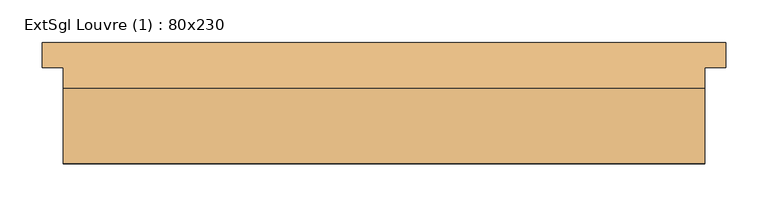
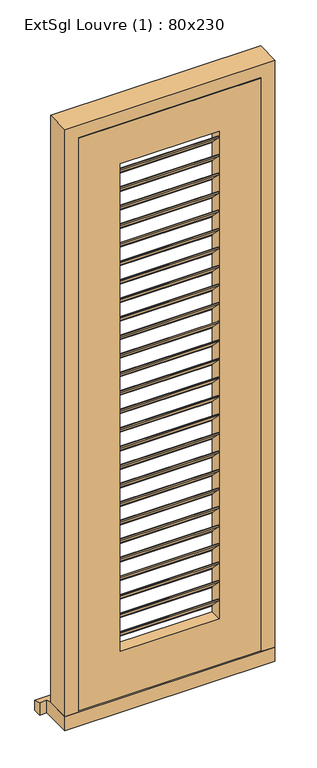
"""IFC4 building model written with IfcOpenShell, lengths in millimetres: door geometry, ExtSgl Louvre (1) : 80x230."""

from ifc_helpers import new_model, si_unit, point, frame, frame_2d, origin, place, context, project, spatial, polyline, circle_curve, trimmed, segment, composite_curve, outline, extrude, faceted_brep, source, transform, mapped, element, save


def extsgl_louvre_1_80x230_39fe5b61(model_context):
    return source(origin(), model_context, "Body", "SolidModel", [
        extrude(outline(composite_curve([segment(trimmed(circle_curve(frame_2d((1200.0, -253.5)), 19.0), [point((1200.0, -234.5))], [point((1200.0, -272.5))], False, "CARTESIAN"), True, "CONTINUOUS"), segment(trimmed(circle_curve(frame_2d((1200.0, -253.5)), 19.0), [point((1200.0, -272.5))], [point((1200.0, -234.5))], False, "CARTESIAN"), True, "CONTINUOUS")], self_intersect=False), holes=[composite_curve([segment(polyline([(1197.6985978, -252.5235023), (1188.3126735, -252.5235023), (1188.3126735, -254.4936963), (1197.7059713, -254.4936963)]), True, "CONTINUOUS"), segment(trimmed(circle_curve(frame_2d((1200.0, -253.5)), 2.5), [point((1197.7059713, -254.4936963))], [point((1197.6985978, -252.5235023))], True, "CARTESIAN"), True, "CONTINUOUS")], self_intersect=False)]), frame((0.0, 140.0, 0.0), z_axis=(0.0, 1.0, 0.0), x_axis=(0.0, 0.0, 1.0)), (0.0, 0.0, 1.0), 3.0),
        extrude(outline(polyline([(100.0, 2003.62), (140.0, 1963.62), (140.0, 1959.62), (137.0, 1959.62), (137.0, 1962.3773593), (97.0, 2002.3773593), (97.0, 2007.62), (100.0, 2007.62), (100.0, 2003.62)])), frame((-178.5, 0.0, 0.0), z_axis=(1.0, 0.0, 0.0), x_axis=(0.0, 1.0, 0.0)), (0.0, 0.0, 1.0), 357.0),
        extrude(outline(polyline([(100.0, 1932.74), (140.0, 1892.74), (140.0, 1888.74), (137.0, 1888.74), (137.0, 1891.4973593), (97.0, 1931.4973593), (97.0, 1936.74), (100.0, 1936.74), (100.0, 1932.74)])), frame((-178.5, 0.0, 0.0), z_axis=(1.0, 0.0, 0.0), x_axis=(0.0, 1.0, 0.0)), (0.0, 0.0, 1.0), 357.0),
        extrude(outline(polyline([(100.0, 1861.86), (140.0, 1821.86), (140.0, 1817.86), (137.0, 1817.86), (137.0, 1820.6173593), (97.0, 1860.6173593), (97.0, 1865.86), (100.0, 1865.86), (100.0, 1861.86)])), frame((-178.5, 0.0, 0.0), z_axis=(1.0, 0.0, 0.0), x_axis=(0.0, 1.0, 0.0)), (0.0, 0.0, 1.0), 357.0),
        extrude(outline(polyline([(100.0, 1790.98), (140.0, 1750.98), (140.0, 1746.98), (137.0, 1746.98), (137.0, 1749.7373593), (97.0, 1789.7373593), (97.0, 1794.98), (100.0, 1794.98), (100.0, 1790.98)])), frame((-178.5, 0.0, 0.0), z_axis=(1.0, 0.0, 0.0), x_axis=(0.0, 1.0, 0.0)), (0.0, 0.0, 1.0), 357.0),
        extrude(outline(polyline([(100.0, 1720.1), (140.0, 1680.1), (140.0, 1676.1), (137.0, 1676.1), (137.0, 1678.8573593), (97.0, 1718.8573593), (97.0, 1724.1), (100.0, 1724.1), (100.0, 1720.1)])), frame((-178.5, 0.0, 0.0), z_axis=(1.0, 0.0, 0.0), x_axis=(0.0, 1.0, 0.0)), (0.0, 0.0, 1.0), 357.0),
        extrude(outline(polyline([(100.0, 1649.22), (140.0, 1609.22), (140.0, 1605.22), (137.0, 1605.22), (137.0, 1607.9773593), (97.0, 1647.9773593), (97.0, 1653.22), (100.0, 1653.22), (100.0, 1649.22)])), frame((-178.5, 0.0, 0.0), z_axis=(1.0, 0.0, 0.0), x_axis=(0.0, 1.0, 0.0)), (0.0, 0.0, 1.0), 357.0),
        extrude(outline(polyline([(100.0, 1578.34), (140.0, 1538.34), (140.0, 1534.34), (137.0, 1534.34), (137.0, 1537.0973593), (97.0, 1577.0973593), (97.0, 1582.34), (100.0, 1582.34), (100.0, 1578.34)])), frame((-178.5, 0.0, 0.0), z_axis=(1.0, 0.0, 0.0), x_axis=(0.0, 1.0, 0.0)), (0.0, 0.0, 1.0), 357.0),
        extrude(outline(polyline([(100.0, 1507.46), (140.0, 1467.46), (140.0, 1463.46), (137.0, 1463.46), (137.0, 1466.2173593), (97.0, 1506.2173593), (97.0, 1511.46), (100.0, 1511.46), (100.0, 1507.46)])), frame((-178.5, 0.0, 0.0), z_axis=(1.0, 0.0, 0.0), x_axis=(0.0, 1.0, 0.0)), (0.0, 0.0, 1.0), 357.0),
        extrude(outline(polyline([(100.0, 1436.58), (140.0, 1396.58), (140.0, 1392.58), (137.0, 1392.58), (137.0, 1395.3373593), (97.0, 1435.3373593), (97.0, 1440.58), (100.0, 1440.58), (100.0, 1436.58)])), frame((-178.5, 0.0, 0.0), z_axis=(1.0, 0.0, 0.0), x_axis=(0.0, 1.0, 0.0)), (0.0, 0.0, 1.0), 357.0),
        extrude(outline(polyline([(100.0, 1365.7), (140.0, 1325.7), (140.0, 1321.7), (137.0, 1321.7), (137.0, 1324.4573593), (97.0, 1364.4573593), (97.0, 1369.7), (100.0, 1369.7), (100.0, 1365.7)])), frame((-178.5, 0.0, 0.0), z_axis=(1.0, 0.0, 0.0), x_axis=(0.0, 1.0, 0.0)), (0.0, 0.0, 1.0), 357.0),
        extrude(outline(polyline([(100.0, 1294.82), (140.0, 1254.82), (140.0, 1250.82), (137.0, 1250.82), (137.0, 1253.5773593), (97.0, 1293.5773593), (97.0, 1298.82), (100.0, 1298.82), (100.0, 1294.82)])), frame((-178.5, 0.0, 0.0), z_axis=(1.0, 0.0, 0.0), x_axis=(0.0, 1.0, 0.0)), (0.0, 0.0, 1.0), 357.0),
        extrude(outline(polyline([(100.0, 1223.94), (140.0, 1183.94), (140.0, 1179.94), (137.0, 1179.94), (137.0, 1182.6973593), (97.0, 1222.6973593), (97.0, 1227.94), (100.0, 1227.94), (100.0, 1223.94)])), frame((-178.5, 0.0, 0.0), z_axis=(1.0, 0.0, 0.0), x_axis=(0.0, 1.0, 0.0)), (0.0, 0.0, 1.0), 357.0),
        extrude(outline(polyline([(100.0, 1153.06), (140.0, 1113.06), (140.0, 1109.06), (137.0, 1109.06), (137.0, 1111.8173593), (97.0, 1151.8173593), (97.0, 1157.06), (100.0, 1157.06), (100.0, 1153.06)])), frame((-178.5, 0.0, 0.0), z_axis=(1.0, 0.0, 0.0), x_axis=(0.0, 1.0, 0.0)), (0.0, 0.0, 1.0), 357.0),
        extrude(outline(polyline([(100.0, 1082.18), (140.0, 1042.18), (140.0, 1038.18), (137.0, 1038.18), (137.0, 1040.9373593), (97.0, 1080.9373593), (97.0, 1086.18), (100.0, 1086.18), (100.0, 1082.18)])), frame((-178.5, 0.0, 0.0), z_axis=(1.0, 0.0, 0.0), x_axis=(0.0, 1.0, 0.0)), (0.0, 0.0, 1.0), 357.0),
        extrude(outline(polyline([(100.0, 1011.3), (140.0, 971.3), (140.0, 967.3), (137.0, 967.3), (137.0, 970.0573593), (97.0, 1010.0573593), (97.0, 1015.3), (100.0, 1015.3), (100.0, 1011.3)])), frame((-178.5, 0.0, 0.0), z_axis=(1.0, 0.0, 0.0), x_axis=(0.0, 1.0, 0.0)), (0.0, 0.0, 1.0), 357.0),
        extrude(outline(polyline([(100.0, 940.42), (140.0, 900.42), (140.0, 896.42), (137.0, 896.42), (137.0, 899.1773593), (97.0, 939.1773593), (97.0, 944.42), (100.0, 944.42), (100.0, 940.42)])), frame((-178.5, 0.0, 0.0), z_axis=(1.0, 0.0, 0.0), x_axis=(0.0, 1.0, 0.0)), (0.0, 0.0, 1.0), 357.0),
        extrude(outline(polyline([(100.0, 869.54), (140.0, 829.54), (140.0, 825.54), (137.0, 825.54), (137.0, 828.2973593), (97.0, 868.2973593), (97.0, 873.54), (100.0, 873.54), (100.0, 869.54)])), frame((-178.5, 0.0, 0.0), z_axis=(1.0, 0.0, 0.0), x_axis=(0.0, 1.0, 0.0)), (0.0, 0.0, 1.0), 357.0),
        extrude(outline(polyline([(100.0, 798.66), (140.0, 758.66), (140.0, 754.66), (137.0, 754.66), (137.0, 757.4173593), (97.0, 797.4173593), (97.0, 802.66), (100.0, 802.66), (100.0, 798.66)])), frame((-178.5, 0.0, 0.0), z_axis=(1.0, 0.0, 0.0), x_axis=(0.0, 1.0, 0.0)), (0.0, 0.0, 1.0), 357.0),
        extrude(outline(polyline([(100.0, 727.78), (140.0, 687.78), (140.0, 683.78), (137.0, 683.78), (137.0, 686.5373593), (97.0, 726.5373593), (97.0, 731.78), (100.0, 731.78), (100.0, 727.78)])), frame((-178.5, 0.0, 0.0), z_axis=(1.0, 0.0, 0.0), x_axis=(0.0, 1.0, 0.0)), (0.0, 0.0, 1.0), 357.0),
        extrude(outline(polyline([(100.0, 656.9), (140.0, 616.9), (140.0, 612.9), (137.0, 612.9), (137.0, 615.6573593), (97.0, 655.6573593), (97.0, 660.9), (100.0, 660.9), (100.0, 656.9)])), frame((-178.5, 0.0, 0.0), z_axis=(1.0, 0.0, 0.0), x_axis=(0.0, 1.0, 0.0)), (0.0, 0.0, 1.0), 357.0),
        extrude(outline(polyline([(100.0, 586.02), (140.0, 546.02), (140.0, 542.02), (137.0, 542.02), (137.0, 544.7773593), (97.0, 584.7773593), (97.0, 590.02), (100.0, 590.02), (100.0, 586.02)])), frame((-178.5, 0.0, 0.0), z_axis=(1.0, 0.0, 0.0), x_axis=(0.0, 1.0, 0.0)), (0.0, 0.0, 1.0), 357.0),
        extrude(outline(polyline([(100.0, 515.14), (140.0, 475.14), (140.0, 471.14), (137.0, 471.14), (137.0, 473.8973593), (97.0, 513.8973593), (97.0, 519.14), (100.0, 519.14), (100.0, 515.14)])), frame((-178.5, 0.0, 0.0), z_axis=(1.0, 0.0, 0.0), x_axis=(0.0, 1.0, 0.0)), (0.0, 0.0, 1.0), 357.0),
        extrude(outline(polyline([(100.0, 444.26), (140.0, 404.26), (140.0, 400.26), (137.0, 400.26), (137.0, 403.0173593), (97.0, 443.0173593), (97.0, 448.26), (100.0, 448.26), (100.0, 444.26)])), frame((-178.5, 0.0, 0.0), z_axis=(1.0, 0.0, 0.0), x_axis=(0.0, 1.0, 0.0)), (0.0, 0.0, 1.0), 357.0),
        extrude(outline(polyline([(100.0, 373.38), (140.0, 333.38), (140.0, 329.38), (137.0, 329.38), (137.0, 332.1373593), (97.0, 372.1373593), (97.0, 377.38), (100.0, 377.38), (100.0, 373.38)])), frame((-178.5, 0.0, 0.0), z_axis=(1.0, 0.0, 0.0), x_axis=(0.0, 1.0, 0.0)), (0.0, 0.0, 1.0), 357.0),
        extrude(outline(polyline([(100.0, 2074.5), (140.0, 2034.5), (140.0, 2030.5), (137.0, 2030.5), (137.0, 2033.2573593), (97.0, 2073.2573593), (97.0, 2078.5), (100.0, 2078.5), (100.0, 2074.5)])), frame((-178.5, 0.0, 0.0), z_axis=(1.0, 0.0, 0.0), x_axis=(0.0, 1.0, 0.0)), (0.0, 0.0, 1.0), 357.0),
        extrude(outline(polyline([(100.0, 302.5), (140.0, 262.5), (140.0, 258.5), (137.0, 258.5), (137.0, 261.2573593), (97.0, 301.2573593), (97.0, 306.5), (100.0, 306.5), (100.0, 302.5)])), frame((-178.5, 0.0, 0.0), z_axis=(1.0, 0.0, 0.0), x_axis=(0.0, 1.0, 0.0)), (0.0, 0.0, 1.0), 357.0),
        faceted_brep([(309.5, 185.0, 54.5), (380.0, 185.0, 54.5), (380.0, 96.0, 54.5), (331.5, 96.0, 54.5), (331.5, 143.0, 54.5), (309.5, 143.0, 54.5), (309.5, 185.0, 2229.5), (-309.5, 185.0, 2229.5), (-309.5, 185.0, 54.5), (-380.0, 185.0, 54.5), (-380.0, 185.0, 2300.0), (380.0, 185.0, 2300.0), (380.0, 96.0, 2300.0), (-380.0, 96.0, 2300.0), (-380.0, 96.0, 54.5), (-331.5, 96.0, 54.5), (-331.5, 96.0, 2251.5), (331.5, 96.0, 2251.5), (331.5, 143.0, 2251.5), (-331.5, 143.0, 2251.5), (-331.5, 143.0, 54.5), (-309.5, 143.0, 54.5), (-309.5, 143.0, 2229.5), (309.5, 143.0, 2229.5)], [[[0, 1, 2, 3, 4, 5]], [[1, 0, 6, 7, 8, 9, 10, 11]], [[2, 1, 11, 12]], [[3, 2, 12, 13, 14, 15, 16, 17]], [[4, 3, 17, 18]], [[5, 4, 18, 19, 20, 21, 22, 23]], [[0, 5, 23, 6]], [[7, 22, 21, 8]], [[8, 21, 20, 15, 14, 9]], [[13, 10, 9, 14]], [[19, 16, 15, 20]], [[12, 11, 10, 13]], [[18, 17, 16, 19]], [[6, 23, 22, 7]]]),
        faceted_brep([(405.0, 240.0, 0.0), (405.0, 240.0, 38.5947221), (405.0, 210.0, 47.2703282), (405.0, 210.0, 0.0), (-405.0, 240.0, 38.5947221), (-405.0, 240.0, 0.0), (-405.0, 210.0, 0.0), (-405.0, 210.0, 47.2703282), (380.0, 210.0, 0.0), (380.0, 96.0, 0.0), (-380.0, 96.0, 0.0), (-380.0, 210.0, 0.0), (-380.0, 210.0, 47.2703282), (-380.0, 185.0, 54.5), (380.0, 185.0, 54.5), (380.0, 210.0, 47.2703282), (-380.0, 96.0, 54.5), (380.0, 96.0, 54.5)], [[[0, 1, 2, 3]], [[4, 5, 6, 7]], [[5, 0, 3, 8, 9, 10, 11, 6]], [[1, 0, 5, 4]], [[1, 4, 7, 12, 13, 14, 15, 2]], [[13, 16, 17, 14]], [[16, 10, 9, 17]], [[12, 11, 10, 16, 13]], [[11, 12, 7, 6]], [[8, 15, 14, 17, 9]], [[15, 8, 3, 2]]]),
        extrude(outline(polyline([(58.5, 328.5), (2248.5, 328.5), (2248.5, -329.4250294), (58.5, -329.4250294), (58.5, 328.5)]), holes=[polyline([(233.5, -178.5), (2098.5, -178.5), (2098.5, 178.5), (233.5, 178.5), (233.5, -178.5)])]), frame((0.0, 96.0, 0.0), z_axis=(0.0, 1.0, 0.0), x_axis=(0.0, 0.0, 1.0)), (0.0, 0.0, 1.0), 44.0),
    ])


if __name__ == "__main__":
    model = new_model("IFC4")
    model_context = context("Model", 3, world=origin())
    ifc_project = project(units=[si_unit("LENGTHUNIT", "METRE", prefix="MILLI")], contexts=[model_context])
    site = spatial("IfcSite", under=ifc_project)
    building = spatial("IfcBuilding", under=site)
    placement = place(None, origin())
    extsgl_louvre_1_80x230_shape = extsgl_louvre_1_80x230_39fe5b61(model_context)
    element("IfcDoor", 1, ObjectType="ExtSgl Louvre (1) : 80x230", at=placement, inside=building, context=model_context, shape_type="MappedRepresentation", body=[
        mapped(extsgl_louvre_1_80x230_shape, transform((0.0, 0.0, 0.0), x_axis=(1.0, 0.0, 0.0), y_axis=(0.0, 1.0, 0.0), z_axis=(0.0, 0.0, 1.0))),
    ])
    save(model, "model.ifc")
